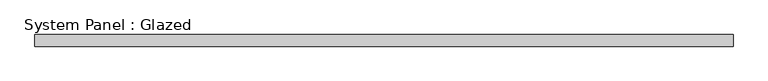
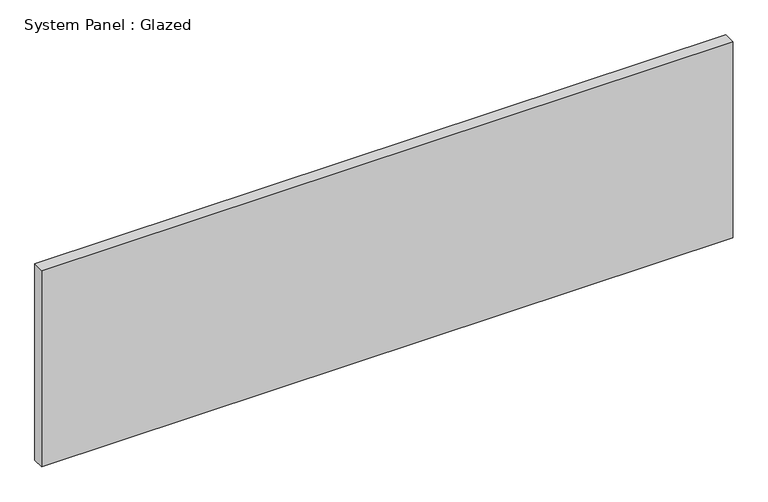
"""IFC4 building model written with IfcOpenShell, lengths in millimetres: plate geometry, System Panel : Glazed."""

from ifc_helpers import new_model, si_unit, origin, origin_with_axes, place, context, project, spatial, polyline, outline, extrude, source, transform, mapped, element, save


def system_panel_glazed_cdb21187(model_context):
    return source(origin(), model_context, "Body", "SweptSolid", [
        extrude(outline(polyline([(762.0, 19.05), (-762.0, 19.05), (-762.0, 44.45), (762.0, 44.45), (762.0, 19.05)])), origin_with_axes(), (0.0, 0.0, 1.0), 457.2),
    ])


if __name__ == "__main__":
    model = new_model("IFC4")
    model_context = context("Model", 3, world=origin())
    ifc_project = project(units=[si_unit("LENGTHUNIT", "METRE", prefix="MILLI")], contexts=[model_context])
    site = spatial("IfcSite", under=ifc_project)
    building = spatial("IfcBuilding", under=site)
    placement = place(None, origin())
    system_panel_glazed_shape = system_panel_glazed_cdb21187(model_context)
    element("IfcPlate", 1, ObjectType="System Panel : Glazed", at=placement, inside=building, context=model_context, shape_type="MappedRepresentation", body=[
        mapped(system_panel_glazed_shape, transform((0.0, 0.0, 0.0), x_axis=(1.0, 0.0, 0.0), y_axis=(0.0, 1.0, 0.0), z_axis=(0.0, 0.0, 1.0))),
    ])
    save(model, "model.ifc")
